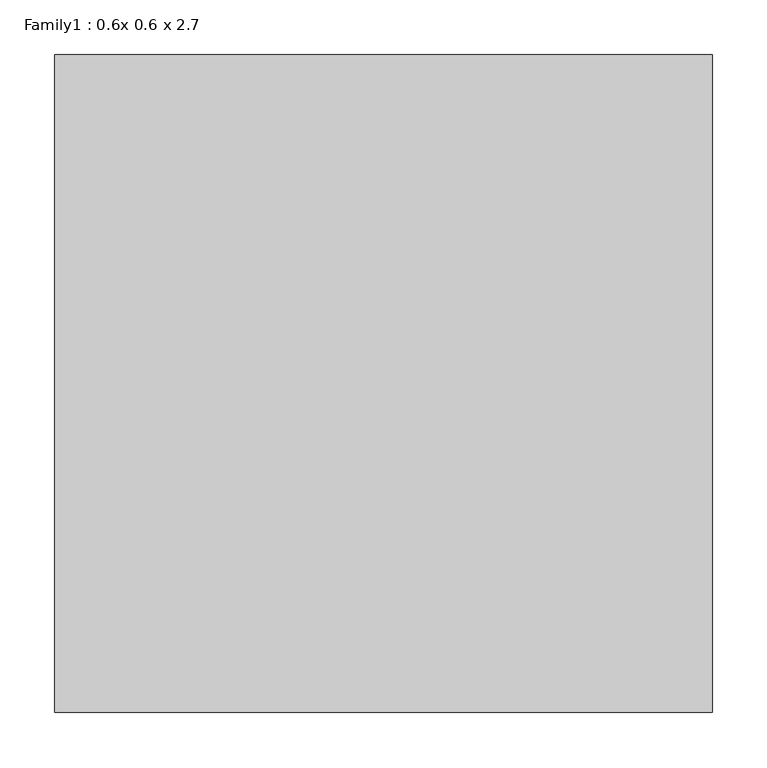
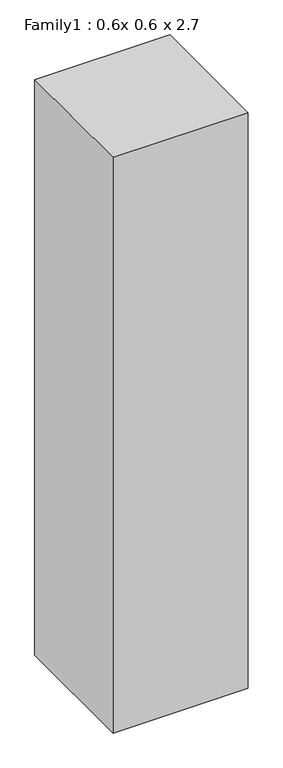
"""IFC4 building model written with IfcOpenShell, lengths in millimetres: proxy geometry, Family1 : 0.6x 0.6 x 2.7."""

from ifc_helpers import new_model, si_unit, origin, origin_with_axes, place, context, project, spatial, polyline, outline, extrude, source, transform, mapped, element, save


def family1_0_6x_0_6_x_2_7_313ba879(model_context):
    return source(origin(), model_context, "Body", "SweptSolid", [
        extrude(outline(polyline([(0.0, -600.0), (-600.0, -600.0), (-600.0, 0.0), (0.0, 0.0), (0.0, -600.0)])), origin_with_axes(), (0.0, 0.0, 1.0), 2700.0),
    ])


if __name__ == "__main__":
    model = new_model("IFC4")
    model_context = context("Model", 3, world=origin())
    ifc_project = project(units=[si_unit("LENGTHUNIT", "METRE", prefix="MILLI")], contexts=[model_context])
    site = spatial("IfcSite", under=ifc_project)
    building = spatial("IfcBuilding", under=site)
    placement = place(None, origin())
    family1_0_6x_0_6_x_2_7_shape = family1_0_6x_0_6_x_2_7_313ba879(model_context)
    element("IfcBuildingElementProxy", 1, Name="Family1 : 0.6x 0.6 x 2.7", ObjectType="Family1 : 0.6x 0.6 x 2.7", at=placement, inside=building, context=model_context, shape_type="MappedRepresentation", body=[
        mapped(family1_0_6x_0_6_x_2_7_shape, transform((0.0, 0.0, 0.0), x_axis=(1.0, 0.0, 0.0), y_axis=(0.0, 1.0, 0.0), z_axis=(0.0, 0.0, 1.0))),
    ])
    save(model, "model.ifc")
